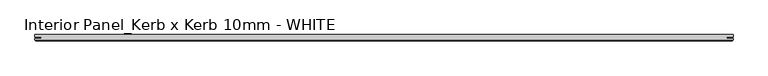
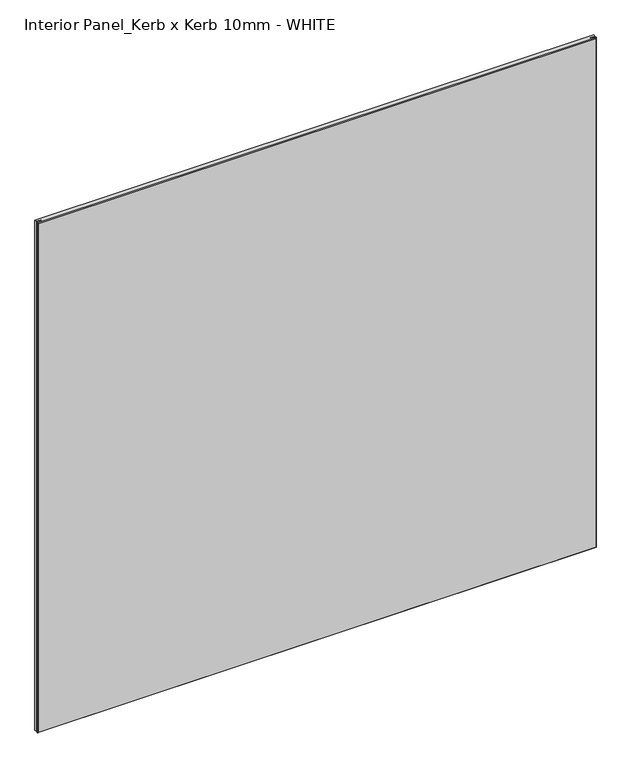
"""IFC4 building model written with IfcOpenShell, lengths in millimetres: proxy geometry, Interior Panel_Kerb x Kerb 10mm - WHITE."""

from ifc_helpers import new_model, si_unit, origin, place, context, project, spatial, faceted_brep, source, transform, mapped, element, save


def interior_panel_kerb_x_kerb_10mm_white_afb7e512(model_context):
    return source(origin(), model_context, "Body", "Brep", [
        faceted_brep([(990.6, 3.175, 1025.525), (-73.025, 3.175, 1025.525), (-73.025, -0.5207, 1025.525), (-63.2023437, -0.5207, 1025.525), (-63.2023437, -2.6543, 1025.525), (-73.025, -2.6543, 1025.525), (-73.025, -4.7625, 1025.525), (990.6, -4.7625, 1025.525), (990.6, -2.6543, 1025.525), (980.7773437, -2.6543, 1025.525), (980.7773437, -0.5207, 1025.525), (990.6, -0.5207, 1025.525), (990.6, 3.175, 0.0), (990.6, -0.5207, 0.0), (980.7773437, -0.5207, 0.0), (980.7773437, -2.6543, 0.0), (990.6, -2.6543, 0.0), (990.6, -4.7625, 0.0), (-73.025, -4.7625, 0.0), (-73.025, -2.6543, 0.0), (-63.2023437, -2.6543, 0.0), (-63.2023437, -0.5207, 0.0), (-73.025, -0.5207, 0.0), (-73.025, 3.175, 0.0), (-71.4375, -6.35, 1023.9375), (-71.4375, -6.35, 1.5875), (989.0125, -6.35, 1.5875), (989.0125, -6.35, 1023.9375)], [[[0, 1, 2, 3, 4, 5, 6, 7, 8, 9, 10, 11]], [[12, 13, 14, 15, 16, 17, 18, 19, 20, 21, 22, 23]], [[1, 0, 12, 23]], [[6, 5, 19, 18]], [[24, 25, 26, 27]], [[8, 7, 17, 16]], [[6, 18, 25, 24]], [[17, 7, 27, 26]], [[7, 6, 24, 27]], [[18, 17, 26, 25]], [[9, 8, 16, 15]], [[10, 9, 15, 14]], [[11, 10, 14, 13]], [[0, 11, 13, 12]], [[2, 1, 23, 22]], [[3, 2, 22, 21]], [[4, 3, 21, 20]], [[5, 4, 20, 19]]]),
    ])


if __name__ == "__main__":
    model = new_model("IFC4")
    model_context = context("Model", 3, world=origin())
    ifc_project = project(units=[si_unit("LENGTHUNIT", "METRE", prefix="MILLI")], contexts=[model_context])
    site = spatial("IfcSite", under=ifc_project)
    building = spatial("IfcBuilding", under=site)
    placement = place(None, origin())
    interior_panel_kerb_x_kerb_10mm_white_shape = interior_panel_kerb_x_kerb_10mm_white_afb7e512(model_context)
    element("IfcBuildingElementProxy", 1, Name="Interior Panel_Kerb x Kerb 10mm - WHITE", ObjectType="Interior Panel_Kerb x Kerb 10mm - WHITE", at=placement, inside=building, context=model_context, shape_type="MappedRepresentation", body=[
        mapped(interior_panel_kerb_x_kerb_10mm_white_shape, transform((0.0, 0.0, 0.0), x_axis=(1.0, 0.0, 0.0), y_axis=(0.0, 1.0, 0.0), z_axis=(0.0, 0.0, 1.0))),
    ])
    save(model, "model.ifc")
